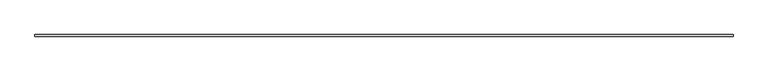
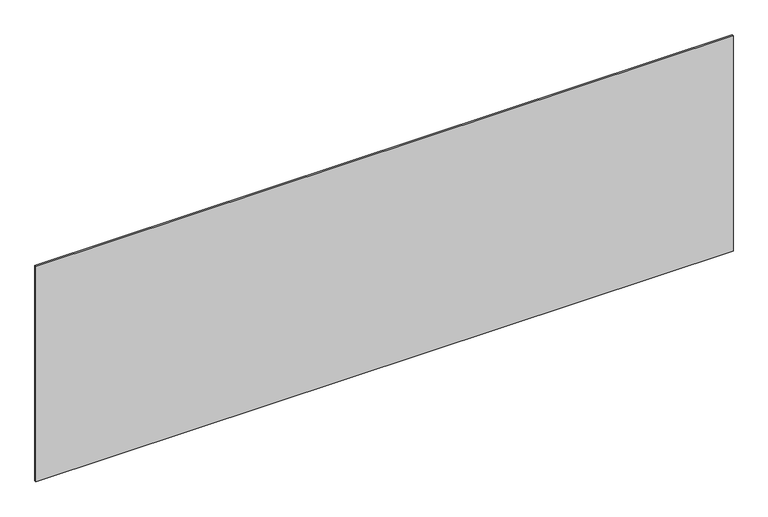
"""IFC4 building model written with IfcOpenShell, lengths in millimetres: plate geometry."""

import ifcopenshell
import ifcopenshell.guid

model = None  # the IFC model being written
_history = None  # IfcOwnerHistory: only IFC2X3 demands one
_inside = {}  # id of a spatial element -> (the spatial element, [elements in it])
_under = {}  # id of a project, library or spatial element -> (it, [spatial elements below it])
_declared = {}  # id of a project -> (the project, [libraries it declares])
_typed = {}  # id of a type object -> (the type object, [elements of that type])
_made_of = {}  # id of a material, layer set ... -> (it, [elements and type objects made of it])


def new_model(schema):
    """Start an empty IFC model of exactly this schema.

    Asked for "IFC4X3", IfcOpenShell would pick the latest addendum, in which some entities
    have other attributes; the version numbers below select the first issue.
    IFC2X3 requires an IfcOwnerHistory on every rooted entity: one is made here for all.
    """
    global model, _history
    if schema == "IFC4X3":
        model = ifcopenshell.file(schema_version=(4, 3, 0, 0))
    else:
        model = ifcopenshell.file(schema=schema)
    _inside.clear()
    _under.clear()
    _declared.clear()
    _typed.clear()
    _made_of.clear()
    _history = None
    if model.schema == "IFC2X3":
        org = make("IfcOrganization", Name="unknown")
        user = make(
            "IfcPersonAndOrganization",
            ThePerson=make("IfcPerson", FamilyName="unknown"),
            TheOrganization=org,
        )
        app = make(
            "IfcApplication",
            ApplicationDeveloper=org,
            Version="unknown",
            ApplicationFullName="unknown",
            ApplicationIdentifier="unknown",
        )
        _history = make(
            "IfcOwnerHistory",
            OwningUser=user,
            OwningApplication=app,
            ChangeAction="ADDED",
            CreationDate=0,
        )
    return model


def make(cls, **values):
    """One entity of the class cls with the attributes given. An attribute that is None is left unset."""
    return model.create_entity(
        cls, **{name: value for name, value in values.items() if value is not None}
    )


def rooted(cls, **values):
    """An entity with a GlobalId (a new one), such as an element, a storey or a relation."""
    return make(cls, GlobalId=ifcopenshell.guid.new(), OwnerHistory=_history, **values)


def si_unit(unit_type, name, prefix=None):
    """IfcSIUnit, for example si_unit("LENGTHUNIT", "METRE", prefix="MILLI")."""
    return make("IfcSIUnit", UnitType=unit_type, Prefix=prefix, Name=name)


def assignment(units):
    """IfcUnitAssignment: the units of a project."""
    return None if units is None else make("IfcUnitAssignment", Units=units)


def point(xyz):
    """IfcCartesianPoint."""
    return None if xyz is None else make("IfcCartesianPoint", Coordinates=xyz)


def direction(xyz):
    """IfcDirection."""
    return None if xyz is None else make("IfcDirection", DirectionRatios=xyz)


def frame(location, z_axis=None, x_axis=None):
    """IfcAxis2Placement3D, a coordinate frame: its origin and axes. An axis left out is left unset."""
    return make(
        "IfcAxis2Placement3D",
        Location=point(location),
        Axis=direction(z_axis),
        RefDirection=direction(x_axis),
    )


def origin():
    """The frame at (0, 0, 0) with its axes left unset."""
    return frame((0.0, 0.0, 0.0))


def origin_with_axes():
    """The frame at (0, 0, 0) with the z axis (0, 0, 1) and the x axis (1, 0, 0) written out."""
    return frame((0.0, 0.0, 0.0), z_axis=(0.0, 0.0, 1.0), x_axis=(1.0, 0.0, 0.0))


def place(relative_to, where):
    """IfcLocalPlacement: puts the frame where relative to a parent placement (None: the world)."""
    return make(
        "IfcLocalPlacement", PlacementRelTo=relative_to, RelativePlacement=where
    )


def context(
    kind, dimensions, precision=None, world=None, true_north=None, identifier=None
):
    """IfcGeometricRepresentationContext, for example the 3D "Model" context."""
    return make(
        "IfcGeometricRepresentationContext",
        ContextIdentifier=identifier,
        ContextType=kind,
        CoordinateSpaceDimension=dimensions,
        Precision=precision,
        WorldCoordinateSystem=world,
        TrueNorth=true_north,
    )


def project(units=None, contexts=None):
    """IfcProject with its units and contexts."""
    return rooted(
        "IfcProject",
        Name="project",
        RepresentationContexts=contexts,
        UnitsInContext=assignment(units),
    )


def spatial(cls, under=None, at=None, **own):
    """A site, building, storey or space (cls), placed at a placement, below another one or the project."""
    s = rooted(cls, ObjectPlacement=at, **own)
    if under is not None:
        _under.setdefault(under.id(), (under, []))[1].append(s)
    return s


def polyline(points):
    """IfcPolyline through the points."""
    return make("IfcPolyline", Points=[point(p) for p in points])


def outline(outer, holes=None, kind="AREA"):
    """IfcArbitraryClosedProfileDef: a profile drawn as a closed curve; with holes, ...WithVoids."""
    if holes is None:
        return make("IfcArbitraryClosedProfileDef", ProfileType=kind, OuterCurve=outer)
    return make(
        "IfcArbitraryProfileDefWithVoids",
        ProfileType=kind,
        OuterCurve=outer,
        InnerCurves=holes,
    )


def extrude(swept, where, along, depth):
    """IfcExtrudedAreaSolid: the profile swept, set in the frame where, extruded along a direction by depth."""
    return make(
        "IfcExtrudedAreaSolid",
        SweptArea=swept,
        Position=where,
        ExtrudedDirection=direction(along),
        Depth=depth,
    )


def shape(context_of_items, identifier, shape_type, items):
    """IfcShapeRepresentation: the items that make up one representation, for example the "Body"."""
    return make(
        "IfcShapeRepresentation",
        ContextOfItems=context_of_items,
        RepresentationIdentifier=identifier,
        RepresentationType=shape_type,
        Items=items,
    )


def source(mapping_origin, context_of_items, identifier, shape_type, items):
    """IfcRepresentationMap: a shape defined once, which mapped items show again and again."""
    return make(
        "IfcRepresentationMap",
        MappingOrigin=mapping_origin,
        MappedRepresentation=shape(context_of_items, identifier, shape_type, items),
    )


def transform(
    local_origin,
    x_axis=None,
    y_axis=None,
    z_axis=None,
    scale=None,
    scale2=None,
    scale3=None,
    uniform=True,
):
    """IfcCartesianTransformationOperator3D, or its non-uniform kind. x_axis, y_axis, z_axis: its Axis1, 2, 3."""
    if uniform:
        return make(
            "IfcCartesianTransformationOperator3D",
            Axis1=direction(x_axis),
            Axis2=direction(y_axis),
            LocalOrigin=point(local_origin),
            Scale=scale,
            Axis3=direction(z_axis),
        )
    return make(
        "IfcCartesianTransformationOperator3DnonUniform",
        Axis1=direction(x_axis),
        Axis2=direction(y_axis),
        LocalOrigin=point(local_origin),
        Scale=scale,
        Axis3=direction(z_axis),
        Scale2=scale2,
        Scale3=scale3,
    )


def mapped(mapping_source, mapping_target):
    """IfcMappedItem: shows the shape of a source again, moved by a transform."""
    return make(
        "IfcMappedItem", MappingSource=mapping_source, MappingTarget=mapping_target
    )


def made_of(thing, what):
    """Note that an element or type object is made of a material, layer set ...; save() writes the relation."""
    if what is not None:
        _made_of.setdefault(what.id(), (what, []))[1].append(thing)
    return thing


def element(
    cls,
    number,
    at=None,
    inside=None,
    cuts=None,
    type_object=None,
    material=None,
    context=None,
    identifier="Body",
    shape_type=None,
    held_by="IfcProductDefinitionShape",
    body=None,
    shapes=None,
    **own,
):
    """One element of the class cls, such as IfcWall. Its Tag is "e" and its number.

    at: its placement. inside: the storey or other place that contains it. cuts: it is an
    opening in that element (IfcRelVoidsElement). A single representation is given by context,
    identifier, shape_type and body (its items); several are given by shapes. held_by: the class
    of the entity that holds the representations. save() writes the other relations.
    """
    e = rooted(cls, Tag="e%d" % number, ObjectPlacement=at, **own)
    if body is not None:
        shapes = [shape(context, identifier, shape_type, body)]
    if shapes is not None:
        e.Representation = make(held_by, Representations=shapes)
    if inside is not None:
        _inside.setdefault(inside.id(), (inside, []))[1].append(e)
    if cuts is not None:
        rooted(
            "IfcRelVoidsElement", RelatingBuildingElement=cuts, RelatedOpeningElement=e
        )
    if type_object is not None:
        _typed.setdefault(type_object.id(), (type_object, []))[1].append(e)
    return made_of(e, material)


def aggregate(whole, parts):
    """IfcRelAggregates: a whole, such as a stair, and the parts it consists of."""
    return rooted("IfcRelAggregates", RelatingObject=whole, RelatedObjects=parts)


def save(model, path):
    """Write the relations noted so far, then the file.

    IfcRelAggregates (storeys below a building ...), IfcRelContainedInSpatialStructure (elements
    in a storey), IfcRelDefinesByType, IfcRelAssociatesMaterial and IfcRelDeclares: one each for
    every whole, place, type object, material and project.
    """
    for whole, parts in _under.values():
        aggregate(whole, parts)
    for where, things in _inside.values():
        rooted(
            "IfcRelContainedInSpatialStructure",
            RelatedElements=things,
            RelatingStructure=where,
        )
    for kind, things in _typed.values():
        rooted("IfcRelDefinesByType", RelatedObjects=things, RelatingType=kind)
    for what, things in _made_of.values():
        rooted("IfcRelAssociatesMaterial", RelatedObjects=things, RelatingMaterial=what)
    for by, libraries in _declared.values():
        rooted("IfcRelDeclares", RelatingContext=by, RelatedDefinitions=libraries)
    model.write(path)


def plate_50ccf87b(model_context):
    return source(origin(), model_context, "Body", "SweptSolid", [
        extrude(outline(polyline([(2189.1666667, -5.0), (-2189.1666667, -5.0), (-2189.1666667, 5.0), (2189.1666667, 5.0), (2189.1666667, -5.0)])), origin_with_axes(), (0.0, 0.0, 1.0), 1429.9964382),
    ])


if __name__ == "__main__":
    model = new_model("IFC4")
    model_context = context("Model", 3, world=origin())
    ifc_project = project(units=[si_unit("LENGTHUNIT", "METRE", prefix="MILLI")], contexts=[model_context])
    site = spatial("IfcSite", under=ifc_project)
    building = spatial("IfcBuilding", under=site)
    placement = place(None, origin())
    plate_shape = plate_50ccf87b(model_context)
    element("IfcPlate", 1, at=placement, inside=building, context=model_context, shape_type="MappedRepresentation", body=[
        mapped(plate_shape, transform((0.0, 0.0, 0.0), x_axis=(1.0, 0.0, 0.0), y_axis=(0.0, 1.0, 0.0), z_axis=(0.0, 0.0, 1.0))),
    ])
    save(model, "model.ifc")
